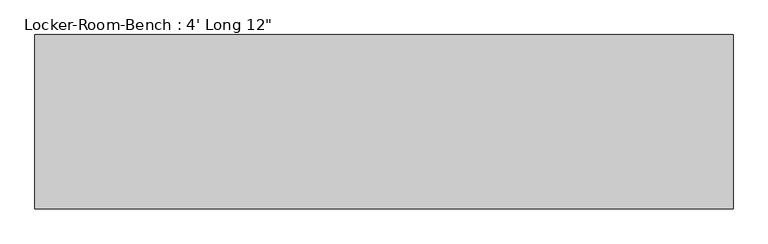
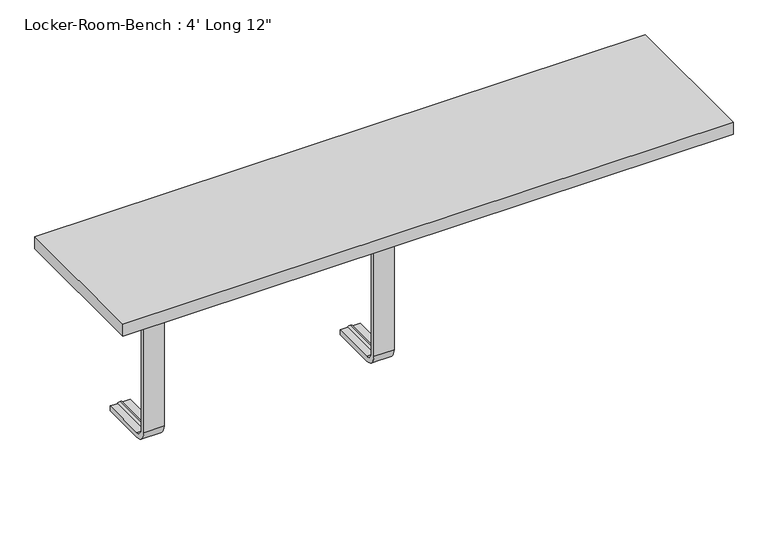
"""IFC4 building model written with IfcOpenShell, lengths in millimetres: proxy geometry."""

from ifc_helpers import new_model, si_unit, point, frame, origin, place, context, project, spatial, polyline, circle_curve, ellipse_curve, trimmed, outline, extrude, source, transform, mapped, element, save
from ifc_brep_helpers import plane_surface, cylinder_surface, revolved_surface, advanced_brep


def proxy_702a84c7(model_context):
    return source(origin(), model_context, "Body", "SolidModel", [
        advanced_brep(
        [(-439.6, 117.4, 381.4), (-439.6, 117.4, 371.4), (-454.6, 117.4, 371.4), (-459.6, 117.4, 369.0684617), (-464.6, 117.4, 371.4), (-479.6, 117.4, 371.4), (-479.6, 117.4, 381.4), (-479.6, 25.0, 381.4), (-439.6, 25.0, 381.4), (-479.6, 25.0, 371.4), (-479.6, 10.0, 356.4), (-479.6, 10.0, 40.0), (-479.6, 25.0, 25.0), (-479.6, 117.4, 25.0), (-479.6, 117.4, 15.0), (-479.6, 25.0, 15.0), (-479.6, 0.0, 40.0), (-479.6, 0.0, 356.4), (-464.6, 25.0, 371.4), (-459.6, 25.0, 369.0684617), (-454.6, 25.0, 371.4), (-439.6, 25.0, 371.4), (-439.6, 0.0, 356.4), (-439.6, 0.0, 40.0), (-439.6, 25.0, 15.0), (-439.6, 117.4, 15.0), (-439.6, 117.4, 25.0), (-439.6, 25.0, 25.0), (-439.6, 10.0, 40.0), (-439.6, 10.0, 356.4), (-464.6, 10.0, 356.4), (-459.6, 12.3315383, 356.4), (-454.6, 10.0, 356.4), (-464.6, 10.0, 40.0), (-459.6, 12.3315383, 40.0), (-454.6, 10.0, 40.0), (-464.6, 25.0, 25.0), (-459.6, 25.0, 27.3315383), (-454.6, 25.0, 25.0), (-464.6, 117.4, 25.0), (-459.6, 117.4, 27.3315383), (-454.6, 117.4, 25.0)],
        [
            (0, 1),
            (1, 2),
            (2, 3, circle_curve(frame((-459.3003591, 117.4, 374.9529162), z_axis=(0.0, 1.0, 0.0), x_axis=(0.0, 0.0, 1.0)), 5.8920785)),
            (3, 4, circle_curve(frame((-459.8996409, 117.4, 374.9529162), z_axis=(0.0, 1.0, 0.0), x_axis=(0.0, 0.0, 1.0)), 5.8920785)),
            (4, 5),
            (5, 6),
            (6, 0),
            (6, 7),
            (7, 8),
            (8, 0),
            (5, 9),
            (9, 10, circle_curve(frame((-479.6, 25.0, 356.4), z_axis=(1.0, 0.0, 0.0), x_axis=(0.0, 0.0, 1.0)), 15.0)),
            (10, 11),
            (11, 12, circle_curve(frame((-479.6, 25.0, 40.0), z_axis=(1.0, 0.0, 0.0), x_axis=(0.0, -1.0, 0.0)), 15.0)),
            (12, 13),
            (13, 14),
            (14, 15),
            (15, 16, circle_curve(frame((-479.6, 25.0, 40.0), z_axis=(-1.0, 0.0, 0.0), x_axis=(0.0, -1.0, 0.0)), 25.0)),
            (16, 17),
            (17, 7, circle_curve(frame((-479.6, 25.0, 356.4), z_axis=(-1.0, 0.0, 0.0), x_axis=(0.0, 0.0, 1.0)), 25.0)),
            (4, 18),
            (18, 9),
            (3, 19),
            (19, 18, circle_curve(frame((-459.8996409, 25.0, 374.9529162), z_axis=(0.0, 1.0, 0.0), x_axis=(0.0, 0.0, 1.0)), 5.8920785)),
            (2, 20),
            (20, 19, circle_curve(frame((-459.3003591, 25.0, 374.9529162), z_axis=(0.0, 1.0, 0.0), x_axis=(0.0, 0.0, 1.0)), 5.8920785)),
            (1, 21),
            (21, 20),
            (8, 22, circle_curve(frame((-439.6, 25.0, 356.4), z_axis=(1.0, 0.0, 0.0), x_axis=(0.0, 0.0, 1.0)), 25.0)),
            (22, 23),
            (23, 24, circle_curve(frame((-439.6, 25.0, 40.0), z_axis=(1.0, 0.0, 0.0), x_axis=(0.0, -1.0, 0.0)), 25.0)),
            (24, 25),
            (25, 26),
            (26, 27),
            (27, 28, circle_curve(frame((-439.6, 25.0, 40.0), z_axis=(-1.0, 0.0, 0.0), x_axis=(0.0, -1.0, 0.0)), 15.0)),
            (28, 29),
            (29, 21, circle_curve(frame((-439.6, 25.0, 356.4), z_axis=(-1.0, 0.0, 0.0), x_axis=(0.0, 0.0, 1.0)), 15.0)),
            (17, 22),
            (30, 10),
            (18, 30, circle_curve(frame((-464.6, 25.0, 356.4), z_axis=(1.0, 0.0, 0.0), x_axis=(0.0, 0.0, 1.0)), 15.0)),
            (31, 30, circle_curve(frame((-459.8996409, 6.4470838, 356.4), z_axis=(0.0, 0.0, 1.0), x_axis=(0.0, -1.0, 0.0)), 5.8920785)),
            (19, 31, circle_curve(frame((-459.6, 25.0, 356.4), z_axis=(1.0, 0.0, 0.0), x_axis=(0.0, 0.0, 1.0)), 12.6684617)),
            (32, 31, circle_curve(frame((-459.3003591, 6.4470838, 356.4), z_axis=(0.0, 0.0, 1.0), x_axis=(0.0, -1.0, 0.0)), 5.8920785)),
            (20, 32, circle_curve(frame((-454.6, 25.0, 356.4), z_axis=(1.0, 0.0, 0.0), x_axis=(0.0, 0.0, 1.0)), 15.0)),
            (29, 32),
            (16, 23),
            (30, 33),
            (33, 11),
            (31, 34),
            (34, 33, circle_curve(frame((-459.8996409, 6.4470838, 40.0), z_axis=(0.0, 0.0, 1.0), x_axis=(0.0, -1.0, 0.0)), 5.8920785)),
            (32, 35),
            (35, 34, circle_curve(frame((-459.3003591, 6.4470838, 40.0), z_axis=(0.0, 0.0, 1.0), x_axis=(0.0, -1.0, 0.0)), 5.8920785)),
            (28, 35),
            (15, 24),
            (36, 12),
            (33, 36, circle_curve(frame((-464.6, 25.0, 40.0), z_axis=(1.0, 0.0, 0.0), x_axis=(0.0, -1.0, 0.0)), 15.0)),
            (37, 36, circle_curve(frame((-459.8996409, 25.0, 21.4470838), z_axis=(0.0, -1.0, 0.0), x_axis=(0.0, 0.0, -1.0)), 5.8920785)),
            (34, 37, circle_curve(frame((-459.6, 25.0, 40.0), z_axis=(1.0, 0.0, 0.0), x_axis=(0.0, -1.0, 0.0)), 12.6684617)),
            (38, 37, circle_curve(frame((-459.3003591, 25.0, 21.4470838), z_axis=(0.0, -1.0, 0.0), x_axis=(0.0, 0.0, -1.0)), 5.8920785)),
            (35, 38, circle_curve(frame((-454.6, 25.0, 40.0), z_axis=(1.0, 0.0, 0.0), x_axis=(0.0, -1.0, 0.0)), 15.0)),
            (27, 38),
            (25, 14),
            (13, 39),
            (39, 40, circle_curve(frame((-459.8996409, 117.4, 21.4470838), z_axis=(0.0, 1.0, 0.0), x_axis=(0.0, 0.0, -1.0)), 5.8920785)),
            (40, 41, circle_curve(frame((-459.3003591, 117.4, 21.4470838), z_axis=(0.0, 1.0, 0.0), x_axis=(0.0, 0.0, -1.0)), 5.8920785)),
            (41, 26),
            (36, 39),
            (37, 40),
            (38, 41),
        ],
        [
            plane_surface(frame((-459.6, 117.4, 381.4), z_axis=(0.0, 1.0, 0.0), x_axis=(1.0, 0.0, 0.0))),
            plane_surface(frame((-439.6, 117.4, 381.4), z_axis=(0.0, 0.0, 1.0), x_axis=(0.0, -1.0, 0.0))),
            plane_surface(frame((-479.6, 117.4, 381.4), z_axis=(-1.0, 0.0, 0.0), x_axis=(0.0, -1.0, 0.0))),
            plane_surface(frame((-479.6, 117.4, 371.4), z_axis=(0.0, 0.0, -1.0), x_axis=(0.0, -1.0, 0.0))),
            cylinder_surface(frame((-459.8996409, 117.4, 374.9529162), z_axis=(0.0, 1.0, 0.0), x_axis=(0.0, 0.0, 1.0)), 5.8920785),
            cylinder_surface(frame((-459.3003591, 117.4, 374.9529162), z_axis=(0.0, 1.0, 0.0), x_axis=(0.0, 0.0, 1.0)), 5.8920785),
            plane_surface(frame((-454.6, 117.4, 371.4), z_axis=(0.0, 0.0, -1.0), x_axis=(0.0, -1.0, 0.0))),
            plane_surface(frame((-439.6, 117.4, 371.4), z_axis=(1.0, 0.0, 0.0), x_axis=(0.0, -1.0, 0.0))),
            cylinder_surface(frame((-459.6, 25.0, 356.4), z_axis=(-1.0, 0.0, 0.0), x_axis=(0.0, 0.0, 1.0)), 25.0),
            revolved_surface(polyline([(-479.6, 25.0, 371.4), (-464.6, 25.0, 371.4)]), (-459.6, 25.0, 356.4), (-1.0, 0.0, 0.0)),
            revolved_surface(trimmed(ellipse_curve(frame((-459.8996409, 25.0, 374.9529162), z_axis=(0.0, -1.0, 0.0), x_axis=(0.0, 0.0, 1.0)), 5.8920785, 5.8920785), [point((-464.6, 25.0, 371.4))], [point((-459.6, 25.0, 369.0684617))], True, "CARTESIAN"), (-459.6, 25.0, 356.4), (-1.0, 0.0, 0.0)),
            revolved_surface(trimmed(ellipse_curve(frame((-459.3003591, 25.0, 374.9529162), z_axis=(0.0, -1.0, 0.0), x_axis=(0.0, 0.0, 1.0)), 5.8920785, 5.8920785), [point((-459.6, 25.0, 369.0684617))], [point((-454.6, 25.0, 371.4))], True, "CARTESIAN"), (-459.6, 25.0, 356.4), (-1.0, 0.0, 0.0)),
            revolved_surface(polyline([(-454.6, 25.0, 371.4), (-439.6, 25.0, 371.4)]), (-459.6, 25.0, 356.4), (-1.0, 0.0, 0.0)),
            plane_surface(frame((-439.6, 0.0, 356.4), z_axis=(0.0, -1.0, 0.0), x_axis=(0.0, 0.0, -1.0))),
            plane_surface(frame((-479.6, 10.0, 356.4), z_axis=(0.0, 1.0, 0.0), x_axis=(0.0, 0.0, -1.0))),
            cylinder_surface(frame((-459.8996409, 6.4470838, 356.4), z_axis=(0.0, 0.0, 1.0), x_axis=(0.0, -1.0, 0.0)), 5.8920785),
            cylinder_surface(frame((-459.3003591, 6.4470838, 356.4), z_axis=(0.0, 0.0, 1.0), x_axis=(0.0, -1.0, 0.0)), 5.8920785),
            plane_surface(frame((-454.6, 10.0, 356.4), z_axis=(0.0, 1.0, 0.0), x_axis=(0.0, 0.0, -1.0))),
            cylinder_surface(frame((-459.6, 25.0, 40.0), z_axis=(-1.0, 0.0, 0.0), x_axis=(0.0, -1.0, 0.0)), 25.0),
            revolved_surface(polyline([(-479.6, 10.0, 40.0), (-464.6, 10.0, 40.0)]), (-459.6, 25.0, 40.0), (-1.0, 0.0, 0.0)),
            revolved_surface(trimmed(ellipse_curve(frame((-459.8996409, 6.4470838, 40.0), z_axis=(0.0, 0.0, -1.0), x_axis=(0.0, -1.0, 0.0)), 5.8920785, 5.8920785), [point((-464.6, 10.0, 40.0))], [point((-459.6, 12.3315383, 40.0))], True, "CARTESIAN"), (-459.6, 25.0, 40.0), (-1.0, 0.0, 0.0)),
            revolved_surface(trimmed(ellipse_curve(frame((-459.3003591, 6.4470838, 40.0), z_axis=(0.0, 0.0, -1.0), x_axis=(0.0, -1.0, 0.0)), 5.8920785, 5.8920785), [point((-459.6, 12.3315383, 40.0))], [point((-454.6, 10.0, 40.0))], True, "CARTESIAN"), (-459.6, 25.0, 40.0), (-1.0, 0.0, 0.0)),
            revolved_surface(polyline([(-454.6, 10.0, 40.0), (-439.6, 10.0, 40.0)]), (-459.6, 25.0, 40.0), (-1.0, 0.0, 0.0)),
            plane_surface(frame((-459.6, 117.4, 15.0), z_axis=(0.0, 1.0, 0.0), x_axis=(1.0, 0.0, 0.0))),
            plane_surface(frame((-439.6, 25.0, 15.0), z_axis=(0.0, 0.0, -1.0), x_axis=(0.0, 1.0, 0.0))),
            plane_surface(frame((-479.6, 25.0, 25.0), z_axis=(0.0, 0.0, 1.0), x_axis=(0.0, 1.0, 0.0))),
            cylinder_surface(frame((-459.8996409, 25.0, 21.4470838), z_axis=(0.0, -1.0, 0.0), x_axis=(0.0, 0.0, -1.0)), 5.8920785),
            cylinder_surface(frame((-459.3003591, 25.0, 21.4470838), z_axis=(0.0, -1.0, 0.0), x_axis=(0.0, 0.0, -1.0)), 5.8920785),
            plane_surface(frame((-454.6, 25.0, 25.0), z_axis=(0.0, 0.0, 1.0), x_axis=(0.0, 1.0, 0.0))),
        ],
        [
            (0, [[1, 2, 3, 4, 5, 6, 7]]),
            (1, [[8, 9, 10, -7]]),
            (2, [[11, 12, 13, 14, 15, 16, 17, 18, 19, 20, -8, -6]]),
            (3, [[21, 22, -11, -5]]),
            (4, [[23, 24, -21, -4]]),
            (5, [[25, 26, -23, -3]]),
            (6, [[27, 28, -25, -2]]),
            (7, [[-10, 29, 30, 31, 32, 33, 34, 35, 36, 37, -27, -1]]),
            (8, [[38, -29, -9, -20]]),
            (9, [[39, -12, -22, 40]]),
            (10, [[41, -40, -24, 42]]),
            (11, [[43, -42, -26, 44]]),
            (12, [[45, -44, -28, -37]]),
            (13, [[-19, 46, -30, -38]]),
            (14, [[47, 48, -13, -39]]),
            (15, [[49, 50, -47, -41]]),
            (16, [[51, 52, -49, -43]]),
            (17, [[-36, 53, -51, -45]]),
            (18, [[54, -31, -46, -18]]),
            (19, [[55, -14, -48, 56]]),
            (20, [[57, -56, -50, 58]]),
            (21, [[59, -58, -52, 60]]),
            (22, [[61, -60, -53, -35]]),
            (23, [[62, -16, 63, 64, 65, 66, -33]]),
            (24, [[-17, -62, -32, -54]]),
            (25, [[67, -63, -15, -55]]),
            (26, [[68, -64, -67, -57]]),
            (27, [[69, -65, -68, -59]]),
            (28, [[-34, -66, -69, -61]]),
        ],
    ),
        advanced_brep(
        [(20.0, 117.4, 381.4), (20.0, 117.4, 371.4), (5.0, 117.4, 371.4), (0.0, 117.4, 369.0684617), (-5.0, 117.4, 371.4), (-20.0, 117.4, 371.4), (-20.0, 117.4, 381.4), (-20.0, 25.0, 381.4), (20.0, 25.0, 381.4), (-20.0, 25.0, 371.4), (-20.0, 10.0, 356.4), (-20.0, 10.0, 40.0), (-20.0, 25.0, 25.0), (-20.0, 117.4, 25.0), (-20.0, 117.4, 15.0), (-20.0, 25.0, 15.0), (-20.0, 0.0, 40.0), (-20.0, 0.0, 356.4), (-5.0, 25.0, 371.4), (0.0, 25.0, 369.0684617), (5.0, 25.0, 371.4), (20.0, 25.0, 371.4), (20.0, 0.0, 356.4), (20.0, 0.0, 40.0), (20.0, 25.0, 15.0), (20.0, 117.4, 15.0), (20.0, 117.4, 25.0), (20.0, 25.0, 25.0), (20.0, 10.0, 40.0), (20.0, 10.0, 356.4), (-5.0, 10.0, 356.4), (0.0, 12.3315383, 356.4), (5.0, 10.0, 356.4), (-5.0, 10.0, 40.0), (0.0, 12.3315383, 40.0), (5.0, 10.0, 40.0), (-5.0, 25.0, 25.0), (0.0, 25.0, 27.3315383), (5.0, 25.0, 25.0), (-5.0, 117.4, 25.0), (0.0, 117.4, 27.3315383), (5.0, 117.4, 25.0)],
        [
            (0, 1),
            (1, 2),
            (2, 3, circle_curve(frame((0.2996409, 117.4, 374.9529162), z_axis=(0.0, 1.0, 0.0), x_axis=(0.0, 0.0, 1.0)), 5.8920785)),
            (3, 4, circle_curve(frame((-0.2996409, 117.4, 374.9529162), z_axis=(0.0, 1.0, 0.0), x_axis=(0.0, 0.0, 1.0)), 5.8920785)),
            (4, 5),
            (5, 6),
            (6, 0),
            (6, 7),
            (7, 8),
            (8, 0),
            (5, 9),
            (9, 10, circle_curve(frame((-20.0, 25.0, 356.4), z_axis=(1.0, 0.0, 0.0), x_axis=(0.0, 0.0, 1.0)), 15.0)),
            (10, 11),
            (11, 12, circle_curve(frame((-20.0, 25.0, 40.0), z_axis=(1.0, 0.0, 0.0), x_axis=(0.0, -1.0, 0.0)), 15.0)),
            (12, 13),
            (13, 14),
            (14, 15),
            (15, 16, circle_curve(frame((-20.0, 25.0, 40.0), z_axis=(-1.0, 0.0, 0.0), x_axis=(0.0, -1.0, 0.0)), 25.0)),
            (16, 17),
            (17, 7, circle_curve(frame((-20.0, 25.0, 356.4), z_axis=(-1.0, 0.0, 0.0), x_axis=(0.0, 0.0, 1.0)), 25.0)),
            (4, 18),
            (18, 9),
            (3, 19),
            (19, 18, circle_curve(frame((-0.2996409, 25.0, 374.9529162), z_axis=(0.0, 1.0, 0.0), x_axis=(0.0, 0.0, 1.0)), 5.8920785)),
            (2, 20),
            (20, 19, circle_curve(frame((0.2996409, 25.0, 374.9529162), z_axis=(0.0, 1.0, 0.0), x_axis=(0.0, 0.0, 1.0)), 5.8920785)),
            (1, 21),
            (21, 20),
            (8, 22, circle_curve(frame((20.0, 25.0, 356.4), z_axis=(1.0, 0.0, 0.0), x_axis=(0.0, 0.0, 1.0)), 25.0)),
            (22, 23),
            (23, 24, circle_curve(frame((20.0, 25.0, 40.0), z_axis=(1.0, 0.0, 0.0), x_axis=(0.0, -1.0, 0.0)), 25.0)),
            (24, 25),
            (25, 26),
            (26, 27),
            (27, 28, circle_curve(frame((20.0, 25.0, 40.0), z_axis=(-1.0, 0.0, 0.0), x_axis=(0.0, -1.0, 0.0)), 15.0)),
            (28, 29),
            (29, 21, circle_curve(frame((20.0, 25.0, 356.4), z_axis=(-1.0, 0.0, 0.0), x_axis=(0.0, 0.0, 1.0)), 15.0)),
            (17, 22),
            (30, 10),
            (18, 30, circle_curve(frame((-5.0, 25.0, 356.4), z_axis=(1.0, 0.0, 0.0), x_axis=(0.0, 0.0, 1.0)), 15.0)),
            (31, 30, circle_curve(frame((-0.2996409, 6.4470838, 356.4), z_axis=(0.0, 0.0, 1.0), x_axis=(0.0, -1.0, 0.0)), 5.8920785)),
            (19, 31, circle_curve(frame((0.0, 25.0, 356.4), z_axis=(1.0, 0.0, 0.0), x_axis=(0.0, 0.0, 1.0)), 12.6684617)),
            (32, 31, circle_curve(frame((0.2996409, 6.4470838, 356.4), z_axis=(0.0, 0.0, 1.0), x_axis=(0.0, -1.0, 0.0)), 5.8920785)),
            (20, 32, circle_curve(frame((5.0, 25.0, 356.4), z_axis=(1.0, 0.0, 0.0), x_axis=(0.0, 0.0, 1.0)), 15.0)),
            (29, 32),
            (16, 23),
            (30, 33),
            (33, 11),
            (31, 34),
            (34, 33, circle_curve(frame((-0.2996409, 6.4470838, 40.0), z_axis=(0.0, 0.0, 1.0), x_axis=(0.0, -1.0, 0.0)), 5.8920785)),
            (32, 35),
            (35, 34, circle_curve(frame((0.2996409, 6.4470838, 40.0), z_axis=(0.0, 0.0, 1.0), x_axis=(0.0, -1.0, 0.0)), 5.8920785)),
            (28, 35),
            (15, 24),
            (36, 12),
            (33, 36, circle_curve(frame((-5.0, 25.0, 40.0), z_axis=(1.0, 0.0, 0.0), x_axis=(0.0, -1.0, 0.0)), 15.0)),
            (37, 36, circle_curve(frame((-0.2996409, 25.0, 21.4470838), z_axis=(0.0, -1.0, 0.0), x_axis=(0.0, 0.0, -1.0)), 5.8920785)),
            (34, 37, circle_curve(frame((0.0, 25.0, 40.0), z_axis=(1.0, 0.0, 0.0), x_axis=(0.0, -1.0, 0.0)), 12.6684617)),
            (38, 37, circle_curve(frame((0.2996409, 25.0, 21.4470838), z_axis=(0.0, -1.0, 0.0), x_axis=(0.0, 0.0, -1.0)), 5.8920785)),
            (35, 38, circle_curve(frame((5.0, 25.0, 40.0), z_axis=(1.0, 0.0, 0.0), x_axis=(0.0, -1.0, 0.0)), 15.0)),
            (27, 38),
            (25, 14),
            (13, 39),
            (39, 40, circle_curve(frame((-0.2996409, 117.4, 21.4470838), z_axis=(0.0, 1.0, 0.0), x_axis=(0.0, 0.0, -1.0)), 5.8920785)),
            (40, 41, circle_curve(frame((0.2996409, 117.4, 21.4470838), z_axis=(0.0, 1.0, 0.0), x_axis=(0.0, 0.0, -1.0)), 5.8920785)),
            (41, 26),
            (36, 39),
            (37, 40),
            (38, 41),
        ],
        [
            plane_surface(frame((0.0, 117.4, 381.4), z_axis=(0.0, 1.0, 0.0), x_axis=(1.0, 0.0, 0.0))),
            plane_surface(frame((20.0, 117.4, 381.4), z_axis=(0.0, 0.0, 1.0), x_axis=(0.0, -1.0, 0.0))),
            plane_surface(frame((-20.0, 117.4, 381.4), z_axis=(-1.0, 0.0, 0.0), x_axis=(0.0, -1.0, 0.0))),
            plane_surface(frame((-20.0, 117.4, 371.4), z_axis=(0.0, 0.0, -1.0), x_axis=(0.0, -1.0, 0.0))),
            cylinder_surface(frame((-0.2996409, 117.4, 374.9529162), z_axis=(0.0, 1.0, 0.0), x_axis=(0.0, 0.0, 1.0)), 5.8920785),
            cylinder_surface(frame((0.2996409, 117.4, 374.9529162), z_axis=(0.0, 1.0, 0.0), x_axis=(0.0, 0.0, 1.0)), 5.8920785),
            plane_surface(frame((5.0, 117.4, 371.4), z_axis=(0.0, 0.0, -1.0), x_axis=(0.0, -1.0, 0.0))),
            plane_surface(frame((20.0, 117.4, 371.4), z_axis=(1.0, 0.0, 0.0), x_axis=(0.0, -1.0, 0.0))),
            cylinder_surface(frame((0.0, 25.0, 356.4), z_axis=(-1.0, 0.0, 0.0), x_axis=(0.0, 0.0, 1.0)), 25.0),
            revolved_surface(polyline([(-20.0, 25.0, 371.4), (-5.0, 25.0, 371.4)]), (0.0, 25.0, 356.4), (-1.0, 0.0, 0.0)),
            revolved_surface(trimmed(ellipse_curve(frame((-0.2996409, 25.0, 374.9529162), z_axis=(0.0, -1.0, 0.0), x_axis=(0.0, 0.0, 1.0)), 5.8920785, 5.8920785), [point((-5.0, 25.0, 371.4))], [point((0.0, 25.0, 369.0684617))], True, "CARTESIAN"), (0.0, 25.0, 356.4), (-1.0, 0.0, 0.0)),
            revolved_surface(trimmed(ellipse_curve(frame((0.2996409, 25.0, 374.9529162), z_axis=(0.0, -1.0, 0.0), x_axis=(0.0, 0.0, 1.0)), 5.8920785, 5.8920785), [point((0.0, 25.0, 369.0684617))], [point((5.0, 25.0, 371.4))], True, "CARTESIAN"), (0.0, 25.0, 356.4), (-1.0, 0.0, 0.0)),
            revolved_surface(polyline([(5.0, 25.0, 371.4), (20.0, 25.0, 371.4)]), (0.0, 25.0, 356.4), (-1.0, 0.0, 0.0)),
            plane_surface(frame((20.0, 0.0, 356.4), z_axis=(0.0, -1.0, 0.0), x_axis=(0.0, 0.0, -1.0))),
            plane_surface(frame((-20.0, 10.0, 356.4), z_axis=(0.0, 1.0, 0.0), x_axis=(0.0, 0.0, -1.0))),
            cylinder_surface(frame((-0.2996409, 6.4470838, 356.4), z_axis=(0.0, 0.0, 1.0), x_axis=(0.0, -1.0, 0.0)), 5.8920785),
            cylinder_surface(frame((0.2996409, 6.4470838, 356.4), z_axis=(0.0, 0.0, 1.0), x_axis=(0.0, -1.0, 0.0)), 5.8920785),
            plane_surface(frame((5.0, 10.0, 356.4), z_axis=(0.0, 1.0, 0.0), x_axis=(0.0, 0.0, -1.0))),
            cylinder_surface(frame((0.0, 25.0, 40.0), z_axis=(-1.0, 0.0, 0.0), x_axis=(0.0, -1.0, 0.0)), 25.0),
            revolved_surface(polyline([(-20.0, 10.0, 40.0), (-5.0, 10.0, 40.0)]), (0.0, 25.0, 40.0), (-1.0, 0.0, 0.0)),
            revolved_surface(trimmed(ellipse_curve(frame((-0.2996409, 6.4470838, 40.0), z_axis=(0.0, 0.0, -1.0), x_axis=(0.0, -1.0, 0.0)), 5.8920785, 5.8920785), [point((-5.0, 10.0, 40.0))], [point((0.0, 12.3315383, 40.0))], True, "CARTESIAN"), (0.0, 25.0, 40.0), (-1.0, 0.0, 0.0)),
            revolved_surface(trimmed(ellipse_curve(frame((0.2996409, 6.4470838, 40.0), z_axis=(0.0, 0.0, -1.0), x_axis=(0.0, -1.0, 0.0)), 5.8920785, 5.8920785), [point((0.0, 12.3315383, 40.0))], [point((5.0, 10.0, 40.0))], True, "CARTESIAN"), (0.0, 25.0, 40.0), (-1.0, 0.0, 0.0)),
            revolved_surface(polyline([(5.0, 10.0, 40.0), (20.0, 10.0, 40.0)]), (0.0, 25.0, 40.0), (-1.0, 0.0, 0.0)),
            plane_surface(frame((0.0, 117.4, 15.0), z_axis=(0.0, 1.0, 0.0), x_axis=(1.0, 0.0, 0.0))),
            plane_surface(frame((20.0, 25.0, 15.0), z_axis=(0.0, 0.0, -1.0), x_axis=(0.0, 1.0, 0.0))),
            plane_surface(frame((-20.0, 25.0, 25.0), z_axis=(0.0, 0.0, 1.0), x_axis=(0.0, 1.0, 0.0))),
            cylinder_surface(frame((-0.2996409, 25.0, 21.4470838), z_axis=(0.0, -1.0, 0.0), x_axis=(0.0, 0.0, -1.0)), 5.8920785),
            cylinder_surface(frame((0.2996409, 25.0, 21.4470838), z_axis=(0.0, -1.0, 0.0), x_axis=(0.0, 0.0, -1.0)), 5.8920785),
            plane_surface(frame((5.0, 25.0, 25.0), z_axis=(0.0, 0.0, 1.0), x_axis=(0.0, 1.0, 0.0))),
        ],
        [
            (0, [[1, 2, 3, 4, 5, 6, 7]]),
            (1, [[8, 9, 10, -7]]),
            (2, [[11, 12, 13, 14, 15, 16, 17, 18, 19, 20, -8, -6]]),
            (3, [[21, 22, -11, -5]]),
            (4, [[23, 24, -21, -4]]),
            (5, [[25, 26, -23, -3]]),
            (6, [[27, 28, -25, -2]]),
            (7, [[-10, 29, 30, 31, 32, 33, 34, 35, 36, 37, -27, -1]]),
            (8, [[38, -29, -9, -20]]),
            (9, [[39, -12, -22, 40]]),
            (10, [[41, -40, -24, 42]]),
            (11, [[43, -42, -26, 44]]),
            (12, [[45, -44, -28, -37]]),
            (13, [[-19, 46, -30, -38]]),
            (14, [[47, 48, -13, -39]]),
            (15, [[49, 50, -47, -41]]),
            (16, [[51, 52, -49, -43]]),
            (17, [[-36, 53, -51, -45]]),
            (18, [[54, -31, -46, -18]]),
            (19, [[55, -14, -48, 56]]),
            (20, [[57, -56, -50, 58]]),
            (21, [[59, -58, -52, 60]]),
            (22, [[61, -60, -53, -35]]),
            (23, [[62, -16, 63, 64, 65, 66, -33]]),
            (24, [[-17, -62, -32, -54]]),
            (25, [[67, -63, -15, -55]]),
            (26, [[68, -64, -67, -57]]),
            (27, [[69, -65, -68, -59]]),
            (28, [[-34, -66, -69, -61]]),
        ],
    ),
        extrude(outline(polyline([(609.6, -152.4), (-609.6, -152.4), (-609.6, 152.4), (609.6, 152.4), (609.6, -152.4)])), frame((0.0, 0.0, 381.4), z_axis=(0.0, 0.0, 1.0), x_axis=(1.0, 0.0, 0.0)), (0.0, 0.0, 1.0), 25.0),
    ])


if __name__ == "__main__":
    model = new_model("IFC4")
    model_context = context("Model", 3, world=origin())
    ifc_project = project(units=[si_unit("LENGTHUNIT", "METRE", prefix="MILLI")], contexts=[model_context])
    site = spatial("IfcSite", under=ifc_project)
    building = spatial("IfcBuilding", under=site)
    placement = place(None, origin())
    proxy_shape = proxy_702a84c7(model_context)
    element("IfcBuildingElementProxy", 1, Name="Locker-Room-Bench : 4' Long 12\"", ObjectType="Locker-Room-Bench : 4' Long 12\"", at=placement, inside=building, context=model_context, shape_type="MappedRepresentation", body=[
        mapped(proxy_shape, transform((0.0, 0.0, 0.0), x_axis=(1.0, 0.0, 0.0), y_axis=(0.0, 1.0, 0.0), z_axis=(0.0, 0.0, 1.0))),
    ])
    save(model, "model.ifc")
